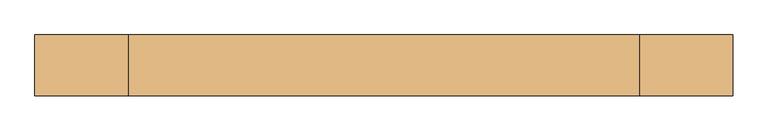
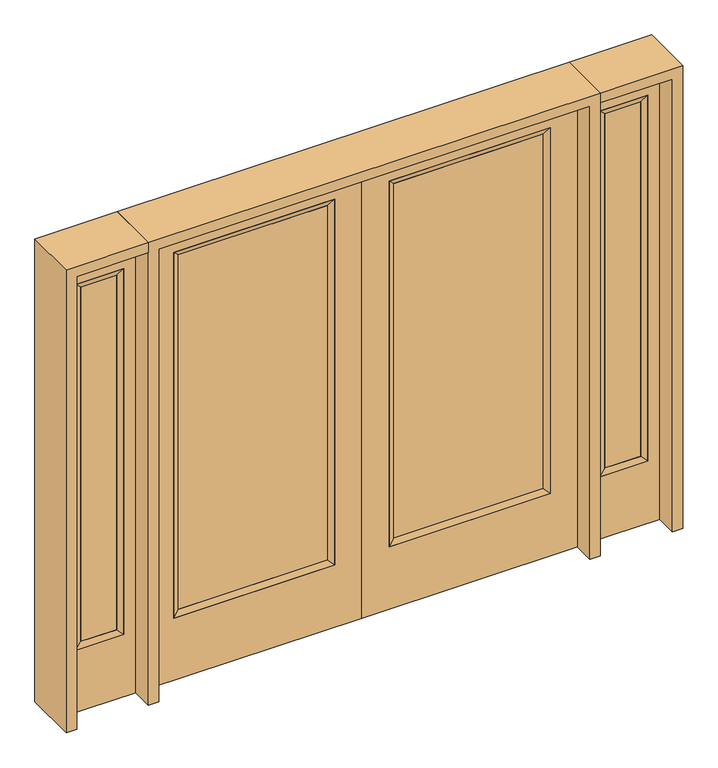
"""IFC4 building model written with IfcOpenShell, lengths in millimetres: door geometry."""

from ifc_helpers import new_model, si_unit, frame, origin, place, context, project, spatial, polyline, outline, extrude, faceted_brep, source, transform, mapped, element, save


def door_ad15d99c(model_context):
    return source(origin(), model_context, "Body", "SolidModel", [
        extrude(outline(polyline([(140.8176, -12.7039749), (140.8176, 14.2875), (773.5824, 14.2875), (773.5824, -12.7039749), (140.8176, -12.7039749)])), frame((0.0, 0.0, 304.8), z_axis=(0.0, 0.0, 1.0), x_axis=(1.0, 0.0, 0.0)), (0.0, 0.0, 1.0), 1590.675),
        faceted_brep([(140.8176, 14.2875, 1895.475), (140.8176, 14.2875, 304.8), (115.4176, 22.225, 279.4), (115.4176, 22.225, 1920.875), (115.4176, -22.225, 279.4), (115.4176, -22.225, 1920.875), (773.5824, 14.2875, 304.8), (798.9824, 22.225, 279.4), (140.8176, -12.7039749, 1895.475), (140.8176, -12.7039749, 304.8), (773.5824, -12.7039749, 304.8), (798.9824, -22.225, 279.4), (773.5824, 14.2875, 1895.475), (798.9824, 22.225, 1920.875), (773.5824, -12.7039749, 1895.475), (798.9824, -22.225, 1920.875)], [[[0, 1, 2, 3]], [[3, 2, 4, 5]], [[1, 6, 7, 2]], [[8, 9, 1, 0]], [[9, 10, 6, 1]], [[5, 4, 9, 8]], [[4, 11, 10, 9]], [[2, 7, 11, 4]], [[6, 12, 13, 7]], [[10, 14, 12, 6]], [[11, 15, 14, 10]], [[7, 13, 15, 11]], [[12, 0, 3, 13]], [[14, 8, 0, 12]], [[15, 5, 8, 14]], [[13, 3, 5, 15]]]),
        extrude(outline(polyline([(0.0, 914.4), (2032.0, 914.4), (2032.0, 0.0), (0.0, 0.0), (0.0, 914.4)]), holes=[polyline([(279.4, 798.9824), (279.4, 115.4176), (1920.875, 115.4176), (1920.875, 798.9824), (279.4, 798.9824)])]), frame((0.0, -22.225, 0.0), z_axis=(0.0, 1.0, 0.0), x_axis=(0.0, 0.0, 1.0)), (0.0, 0.0, 1.0), 44.45),
        extrude(outline(polyline([(-140.8176, -12.7039749), (-773.5824, -12.7039749), (-773.5824, 14.2875), (-140.8176, 14.2875), (-140.8176, -12.7039749)])), frame((0.0, 0.0, 304.8), z_axis=(0.0, 0.0, 1.0), x_axis=(1.0, 0.0, 0.0)), (0.0, 0.0, 1.0), 1590.675),
        faceted_brep([(-140.8176, 14.2875, 1895.475), (-115.4176, 22.225, 1920.875), (-115.4176, 22.225, 279.4), (-140.8176, 14.2875, 304.8), (-115.4176, -22.225, 1920.875), (-115.4176, -22.225, 279.4), (-798.9824, 22.225, 279.4), (-773.5824, 14.2875, 304.8), (-140.8176, -12.7039749, 1895.475), (-140.8176, -12.7039749, 304.8), (-773.5824, -12.7039749, 304.8), (-798.9824, -22.225, 279.4), (-798.9824, 22.225, 1920.875), (-773.5824, 14.2875, 1895.475), (-773.5824, -12.7039749, 1895.475), (-798.9824, -22.225, 1920.875)], [[[0, 1, 2, 3]], [[1, 4, 5, 2]], [[3, 2, 6, 7]], [[8, 0, 3, 9]], [[9, 3, 7, 10]], [[4, 8, 9, 5]], [[5, 9, 10, 11]], [[2, 5, 11, 6]], [[7, 6, 12, 13]], [[10, 7, 13, 14]], [[11, 10, 14, 15]], [[6, 11, 15, 12]], [[13, 12, 1, 0]], [[14, 13, 0, 8]], [[15, 14, 8, 4]], [[12, 15, 4, 1]]]),
        extrude(outline(polyline([(0.0, -914.4), (0.0, 0.0), (2032.0, 0.0), (2032.0, -914.4), (0.0, -914.4)]), holes=[polyline([(279.4, -798.9824), (1920.875, -798.9824), (1920.875, -115.4176), (279.4, -115.4176), (279.4, -798.9824)])]), frame((0.0, -22.225, 0.0), z_axis=(0.0, 1.0, 0.0), x_axis=(0.0, 0.0, 1.0)), (0.0, 0.0, 1.0), 44.45),
        faceted_brep([(1009.65, 20.6375, 1920.875), (1009.65, 20.6375, 279.4), (1009.65, -20.6375, 279.4), (1009.65, -20.6375, 1920.875), (1035.05, -12.7, 304.8), (1035.05, -12.7, 1895.475), (1212.85, 20.6375, 279.4), (1212.85, -20.6375, 279.4), (1035.05, 12.7, 1895.475), (1035.05, 12.7, 304.8), (1187.45, 12.7, 304.8), (1187.45, -12.7, 304.8), (1212.85, 20.6375, 1920.875), (1212.85, -20.6375, 1920.875), (1187.45, 12.7, 1895.475), (1187.45, -12.7, 1895.475)], [[[0, 1, 2, 3]], [[3, 2, 4, 5]], [[1, 6, 7, 2]], [[8, 9, 1, 0]], [[9, 10, 6, 1]], [[5, 4, 9, 8]], [[4, 11, 10, 9]], [[2, 7, 11, 4]], [[6, 12, 13, 7]], [[10, 14, 12, 6]], [[11, 15, 14, 10]], [[7, 13, 15, 11]], [[12, 0, 3, 13]], [[14, 8, 0, 12]], [[15, 5, 8, 14]], [[13, 3, 5, 15]]]),
        extrude(outline(polyline([(0.0, 1263.65), (2032.0, 1263.65), (2032.0, 958.85), (0.0, 958.85), (0.0, 1263.65)]), holes=[polyline([(1920.875, 1009.65), (1920.875, 1212.85), (279.4, 1212.85), (279.4, 1009.65), (1920.875, 1009.65)])]), frame((0.0, -20.6375, 0.0), z_axis=(0.0, 1.0, 0.0), x_axis=(0.0, 0.0, 1.0)), (0.0, 0.0, 1.0), 41.275),
        extrude(outline(polyline([(1035.05, -12.7), (1035.05, 12.7), (1187.45, 12.7), (1187.45, -12.7), (1035.05, -12.7)])), frame((0.0, 0.0, 304.8), z_axis=(0.0, 0.0, 1.0), x_axis=(1.0, 0.0, 0.0)), (0.0, 0.0, 1.0), 1590.675),
        faceted_brep([(-1009.65, 20.6375, 1920.875), (-1009.65, -20.6375, 1920.875), (-1009.65, -20.6375, 279.4), (-1009.65, 20.6375, 279.4), (-1035.05, -12.7, 1895.475), (-1035.05, -12.7, 304.8), (-1212.85, -20.6375, 279.4), (-1212.85, 20.6375, 279.4), (-1035.05, 12.7, 1895.475), (-1035.05, 12.7, 304.8), (-1187.45, 12.7, 304.8), (-1187.45, -12.7, 304.8), (-1212.85, -20.6375, 1920.875), (-1212.85, 20.6375, 1920.875), (-1187.45, 12.7, 1895.475), (-1187.45, -12.7, 1895.475)], [[[0, 1, 2, 3]], [[1, 4, 5, 2]], [[3, 2, 6, 7]], [[8, 0, 3, 9]], [[9, 3, 7, 10]], [[4, 8, 9, 5]], [[5, 9, 10, 11]], [[2, 5, 11, 6]], [[7, 6, 12, 13]], [[10, 7, 13, 14]], [[11, 10, 14, 15]], [[6, 11, 15, 12]], [[13, 12, 1, 0]], [[14, 13, 0, 8]], [[15, 14, 8, 4]], [[12, 15, 4, 1]]]),
        extrude(outline(polyline([(0.0, -1263.65), (0.0, -958.85), (2032.0, -958.85), (2032.0, -1263.65), (0.0, -1263.65)]), holes=[polyline([(1920.875, -1009.65), (279.4, -1009.65), (279.4, -1212.85), (1920.875, -1212.85), (1920.875, -1009.65)])]), frame((0.0, -20.6375, 0.0), z_axis=(0.0, 1.0, 0.0), x_axis=(0.0, 0.0, 1.0)), (0.0, 0.0, 1.0), 41.275),
        extrude(outline(polyline([(-1035.05, -12.7), (-1187.45, -12.7), (-1187.45, 12.7), (-1035.05, 12.7), (-1035.05, -12.7)])), frame((0.0, 0.0, 304.8), z_axis=(0.0, 0.0, 1.0), x_axis=(1.0, 0.0, 0.0)), (0.0, 0.0, 1.0), 1590.675),
        extrude(outline(polyline([(2032.0, -958.85), (2076.45, -958.85), (2076.45, -1308.1), (0.0, -1308.1), (0.0, -1263.65), (2032.0, -1263.65), (2032.0, -958.85)])), frame((0.0, -114.3, 0.0), z_axis=(0.0, 1.0, 0.0), x_axis=(0.0, 0.0, 1.0)), (0.0, 0.0, 1.0), 228.6),
        extrude(outline(polyline([(2076.45, -958.85), (0.0, -958.85), (0.0, -914.4), (2032.0, -914.4), (2032.0, 914.4), (0.0, 914.4), (0.0, 958.85), (2076.45, 958.85), (2076.45, -958.85)])), frame((0.0, -114.3, 0.0), z_axis=(0.0, 1.0, 0.0), x_axis=(0.0, 0.0, 1.0)), (0.0, 0.0, 1.0), 228.6),
        extrude(outline(polyline([(0.0, 1263.65), (0.0, 1308.1), (2076.45, 1308.1), (2076.45, 958.85), (2032.0, 958.85), (2032.0, 1263.65), (0.0, 1263.65)])), frame((0.0, -114.3, 0.0), z_axis=(0.0, 1.0, 0.0), x_axis=(0.0, 0.0, 1.0)), (0.0, 0.0, 1.0), 228.6),
    ])


if __name__ == "__main__":
    model = new_model("IFC4")
    model_context = context("Model", 3, world=origin())
    ifc_project = project(units=[si_unit("LENGTHUNIT", "METRE", prefix="MILLI")], contexts=[model_context])
    site = spatial("IfcSite", under=ifc_project)
    building = spatial("IfcBuilding", under=site)
    placement = place(None, origin())
    door_shape = door_ad15d99c(model_context)
    element("IfcDoor", 1, at=placement, inside=building, context=model_context, shape_type="MappedRepresentation", body=[
        mapped(door_shape, transform((0.0, 0.0, 0.0), x_axis=(1.0, 0.0, 0.0), y_axis=(0.0, 1.0, 0.0), z_axis=(0.0, 0.0, 1.0))),
    ])
    save(model, "model.ifc")
